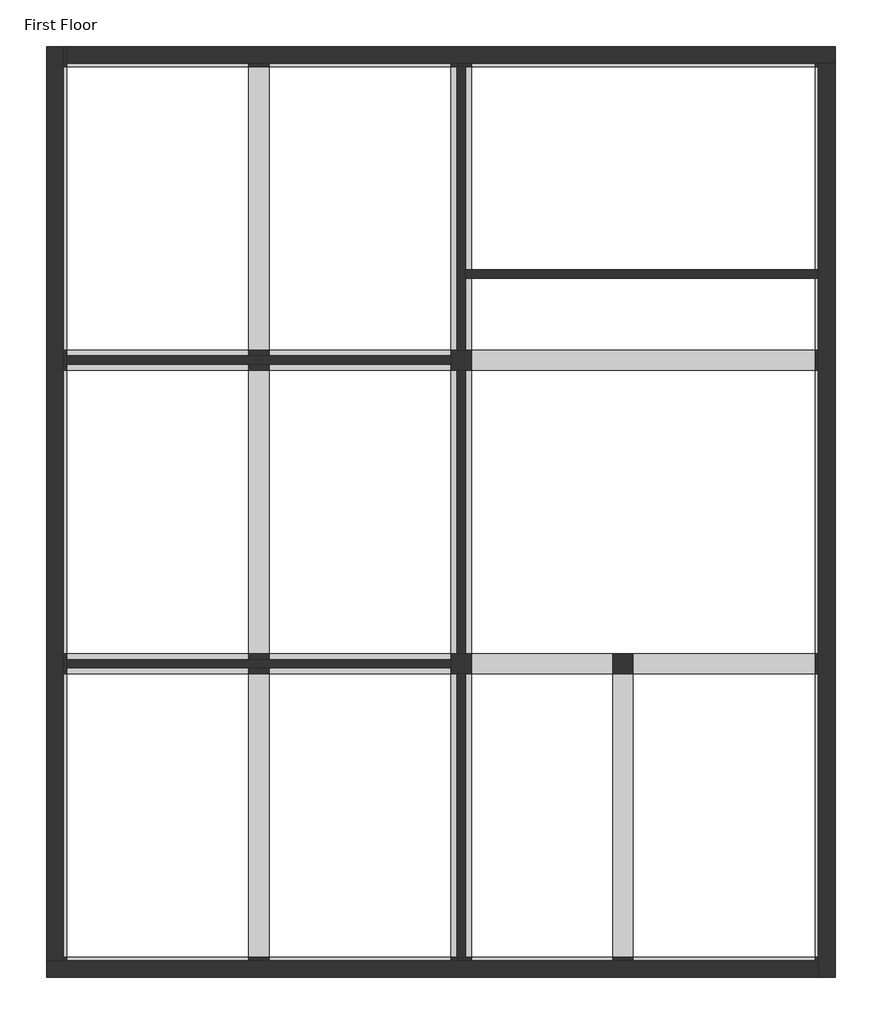
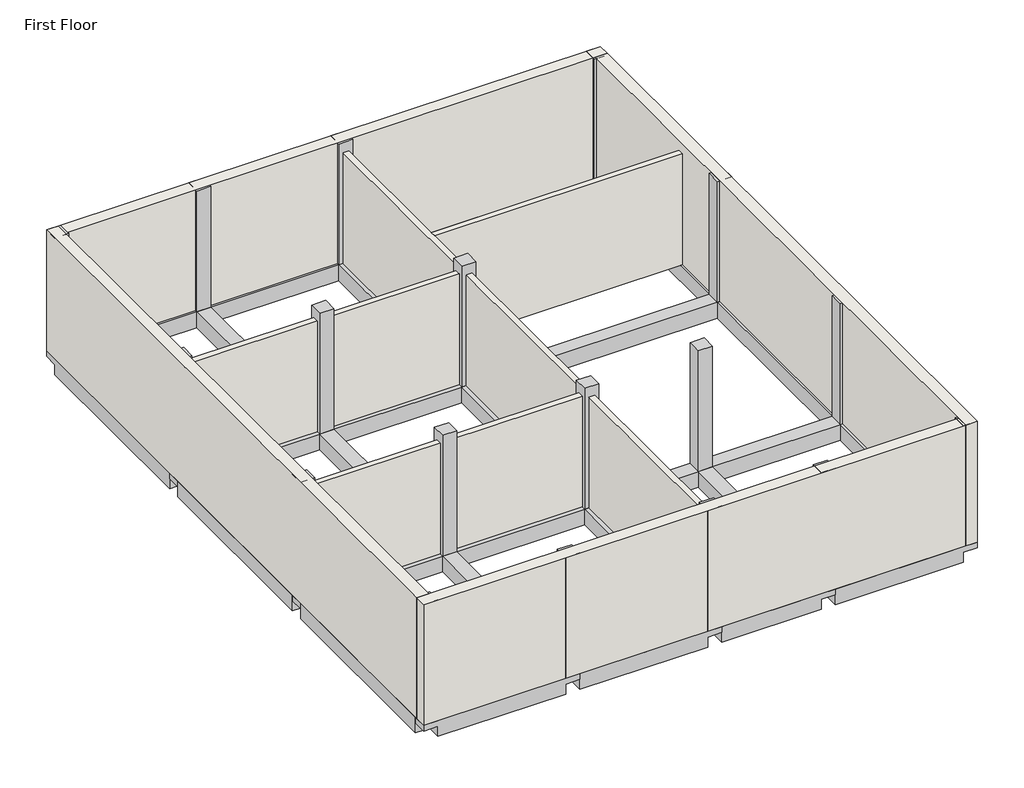
# One storey: 27 beams, 18 columns, 10 walls.
"""IFC4 building model written with IfcOpenShell, lengths in millimetres."""

from ifc_helpers import new_model, si_unit, frame, origin, place, context, project, spatial, polyline, outline, extrude, faceted_brep, element, save

model = new_model("IFC4")

# Units and contexts
model_context = context("Model", 3, world=origin())
ifc_project = project(units=[si_unit("LENGTHUNIT", "METRE", prefix="MILLI")], contexts=[model_context])

# Site, building, storey
site = spatial("IfcSite", under=ifc_project)
building = spatial("IfcBuilding", under=site)
storey = spatial("IfcBuildingStorey", under=building, Name="First Floor", Elevation=2870.2)

# Beams
placement = place(None, origin())
element("IfcBeam", 1, ObjectType="Concrete-Rectangular Beam", at=placement, inside=storey, context=model_context, shape_type="Brep", body=[
    faceted_brep([(6210.1409002, -15344.0114294, 2870.2), (6210.1409002, -15039.2114294, 2870.2), (5905.3409002, -15039.2114294, 2870.2), (3162.1409002, -15039.2114294, 2870.2), (2857.3409002, -15039.2114294, 2870.2), (2857.3409002, -15344.0114294, 2870.2), (3162.1409002, -15344.0114294, 2870.2), (5905.3409002, -15344.0114294, 2870.2), (2857.3409002, -15344.0114294, 2743.2), (3162.1409002, -15344.0114294, 2743.2), (3162.1409002, -15344.0114294, 2514.6), (5905.3409002, -15344.0114294, 2514.6), (5905.3409002, -15344.0114294, 2743.2), (6210.1409002, -15344.0114294, 2743.2), (3162.1409002, -15039.2114294, 2514.6), (5905.3409002, -15039.2114294, 2514.6), (6210.1409002, -15039.2114294, 2743.2), (5905.3409002, -15039.2114294, 2743.2), (3162.1409002, -15039.2114294, 2743.2), (2857.3409002, -15039.2114294, 2743.2)], [[[0, 1, 2, 3, 4, 5, 6, 7]], [[0, 7, 6, 5, 8, 9, 10, 11, 12, 13]], [[10, 14, 15, 11]], [[4, 3, 2, 1, 16, 17, 15, 14, 18, 19]], [[1, 0, 13, 16]], [[5, 4, 19, 8]], [[9, 18, 14, 10]], [[18, 9, 8, 19]], [[17, 12, 11, 15]], [[12, 17, 16, 13]]]),
])
element("IfcBeam", 2, ObjectType="Concrete-Rectangular Beam", at=placement, inside=storey, context=model_context, shape_type="Brep", body=[
    faceted_brep([(9258.1409002, -15344.0114294, 2870.2), (9258.1409002, -15039.2114294, 2870.2), (8953.3409002, -15039.2114294, 2870.2), (6210.1409002, -15039.2114294, 2870.2), (6210.1409002, -15344.0114294, 2870.2), (8953.3409002, -15344.0114294, 2870.2), (6210.1409002, -15344.0114294, 2743.2), (6210.1409002, -15344.0114294, 2514.6), (8953.3409002, -15344.0114294, 2514.6), (8953.3409002, -15344.0114294, 2743.2), (9258.1409002, -15344.0114294, 2743.2), (6210.1409002, -15039.2114294, 2514.6), (8953.3409002, -15039.2114294, 2514.6), (9258.1409002, -15039.2114294, 2743.2), (8953.3409002, -15039.2114294, 2743.2), (6210.1409002, -15039.2114294, 2743.2)], [[[0, 1, 2, 3, 4, 5]], [[0, 5, 4, 6, 7, 8, 9, 10]], [[7, 11, 12, 8]], [[3, 2, 1, 13, 14, 12, 11, 15]], [[1, 0, 10, 13]], [[4, 3, 15, 11, 7, 6]], [[14, 9, 8, 12]], [[9, 14, 13, 10]]]),
])
element("IfcBeam", 3, ObjectType="Concrete-Rectangular Beam", at=placement, inside=storey, context=model_context, shape_type="Brep", body=[
    faceted_brep([(11696.5409002, -15344.0114294, 2870.2), (11696.5409002, -15039.2114294, 2870.2), (11391.7409002, -15039.2114294, 2870.2), (9258.1409002, -15039.2114294, 2870.2), (9258.1409002, -15344.0114294, 2870.2), (11391.7409002, -15344.0114294, 2870.2), (9258.1409002, -15344.0114294, 2743.2), (9258.1409002, -15344.0114294, 2514.6), (11391.7409002, -15344.0114294, 2514.6), (11391.7409002, -15344.0114294, 2743.2), (11696.5409002, -15344.0114294, 2743.2), (9258.1409002, -15039.2114294, 2514.6), (11391.7409002, -15039.2114294, 2514.6), (11696.5409002, -15039.2114294, 2743.2), (11391.7409002, -15039.2114294, 2743.2), (9258.1409002, -15039.2114294, 2743.2)], [[[0, 1, 2, 3, 4, 5]], [[0, 5, 4, 6, 7, 8, 9, 10]], [[7, 11, 12, 8]], [[3, 2, 1, 13, 14, 12, 11, 15]], [[1, 0, 10, 13]], [[4, 3, 15, 11, 7, 6]], [[14, 9, 8, 12]], [[9, 14, 13, 10]]]),
])
element("IfcBeam", 4, ObjectType="Concrete-Rectangular Beam", at=placement, inside=storey, context=model_context, shape_type="Brep", body=[
    faceted_brep([(14744.5409002, -15344.0114294, 2870.2), (14744.5409002, -15039.2114294, 2870.2), (14439.7409002, -15039.2114294, 2870.2), (11696.5409002, -15039.2114294, 2870.2), (11696.5409002, -15344.0114294, 2870.2), (14439.7409002, -15344.0114294, 2870.2), (11696.5409002, -15344.0114294, 2743.2), (11696.5409002, -15344.0114294, 2514.6), (14439.7409002, -15344.0114294, 2514.6), (14439.7409002, -15344.0114294, 2743.2), (14744.5409002, -15344.0114294, 2743.2), (11696.5409002, -15039.2114294, 2514.6), (14439.7409002, -15039.2114294, 2514.6), (14744.5409002, -15039.2114294, 2743.2), (14439.7409002, -15039.2114294, 2743.2), (11696.5409002, -15039.2114294, 2743.2)], [[[0, 1, 2, 3, 4, 5]], [[0, 5, 4, 6, 7, 8, 9, 10]], [[7, 11, 12, 8]], [[3, 2, 1, 13, 14, 12, 11, 15]], [[1, 0, 10, 13]], [[4, 3, 15, 11, 7, 6]], [[14, 9, 8, 12]], [[9, 14, 13, 10]]]),
])
element("IfcBeam", 5, ObjectType="Concrete-Rectangular Beam", at=placement, inside=storey, context=model_context, shape_type="Brep", body=[
    faceted_brep([(6210.1409002, -10772.0114294, 2870.2), (6210.1409002, -10467.2114294, 2870.2), (5905.3409002, -10467.2114294, 2870.2), (3162.1409002, -10467.2114294, 2870.2), (2857.3409002, -10467.2114294, 2870.2), (2857.3409002, -10772.0114294, 2870.2), (3162.1409002, -10772.0114294, 2870.2), (5905.3409002, -10772.0114294, 2870.2), (2857.3409002, -10772.0114294, 2743.2), (3162.1409002, -10772.0114294, 2743.2), (3162.1409002, -10772.0114294, 2514.6), (5905.3409002, -10772.0114294, 2514.6), (5905.3409002, -10772.0114294, 2743.2), (6210.1409002, -10772.0114294, 2743.2), (3162.1409002, -10467.2114294, 2514.6), (5905.3409002, -10467.2114294, 2514.6), (6210.1409002, -10467.2114294, 2743.2), (5905.3409002, -10467.2114294, 2743.2), (3162.1409002, -10467.2114294, 2743.2), (2857.3409002, -10467.2114294, 2743.2)], [[[0, 1, 2, 3, 4, 5, 6, 7]], [[0, 7, 6, 5, 8, 9, 10, 11, 12, 13]], [[10, 14, 15, 11]], [[4, 3, 2, 1, 16, 17, 15, 14, 18, 19]], [[1, 0, 13, 16]], [[5, 4, 19, 8]], [[9, 18, 14, 10]], [[18, 9, 8, 19]], [[17, 12, 11, 15]], [[12, 17, 16, 13]]]),
])
element("IfcBeam", 6, ObjectType="Concrete-Rectangular Beam", at=placement, inside=storey, context=model_context, shape_type="Brep", body=[
    faceted_brep([(9258.1409002, -10772.0114294, 2870.2), (9258.1409002, -10467.2114294, 2870.2), (8953.3409002, -10467.2114294, 2870.2), (6210.1409002, -10467.2114294, 2870.2), (6210.1409002, -10772.0114294, 2870.2), (8953.3409002, -10772.0114294, 2870.2), (6210.1409002, -10772.0114294, 2743.2), (6210.1409002, -10772.0114294, 2514.6), (8953.3409002, -10772.0114294, 2514.6), (8953.3409002, -10772.0114294, 2743.2), (9258.1409002, -10772.0114294, 2743.2), (6210.1409002, -10467.2114294, 2514.6), (8953.3409002, -10467.2114294, 2514.6), (9258.1409002, -10467.2114294, 2743.2), (8953.3409002, -10467.2114294, 2743.2), (6210.1409002, -10467.2114294, 2743.2)], [[[0, 1, 2, 3, 4, 5]], [[0, 5, 4, 6, 7, 8, 9, 10]], [[7, 11, 12, 8]], [[3, 2, 1, 13, 14, 12, 11, 15]], [[1, 0, 10, 13]], [[4, 3, 15, 11, 7, 6]], [[14, 9, 8, 12]], [[9, 14, 13, 10]]]),
])
element("IfcBeam", 7, ObjectType="Concrete-Rectangular Beam", at=placement, inside=storey, context=model_context, shape_type="Brep", body=[
    faceted_brep([(11696.5409002, -10772.0114294, 2870.2), (11696.5409002, -10467.2114294, 2870.2), (11391.7409002, -10467.2114294, 2870.2), (9258.1409002, -10467.2114294, 2870.2), (9258.1409002, -10772.0114294, 2870.2), (11391.7409002, -10772.0114294, 2870.2), (9258.1409002, -10772.0114294, 2743.2), (9258.1409002, -10772.0114294, 2514.6), (11391.7409002, -10772.0114294, 2514.6), (11391.7409002, -10772.0114294, 2743.2), (11696.5409002, -10772.0114294, 2743.2), (9258.1409002, -10467.2114294, 2514.6), (11391.7409002, -10467.2114294, 2514.6), (11696.5409002, -10467.2114294, 2743.2), (11391.7409002, -10467.2114294, 2743.2), (9258.1409002, -10467.2114294, 2743.2)], [[[0, 1, 2, 3, 4, 5]], [[0, 5, 4, 6, 7, 8, 9, 10]], [[7, 11, 12, 8]], [[3, 2, 1, 13, 14, 12, 11, 15]], [[1, 0, 10, 13]], [[4, 3, 15, 11, 7, 6]], [[14, 9, 8, 12]], [[9, 14, 13, 10]]]),
])
element("IfcBeam", 8, ObjectType="Concrete-Rectangular Beam", at=placement, inside=storey, context=model_context, shape_type="Brep", body=[
    faceted_brep([(14744.5409002, -10772.0114294, 2870.2), (14744.5409002, -10467.2114294, 2870.2), (14439.7409002, -10467.2114294, 2870.2), (11696.5409002, -10467.2114294, 2870.2), (11696.5409002, -10772.0114294, 2870.2), (14439.7409002, -10772.0114294, 2870.2), (11696.5409002, -10772.0114294, 2743.2), (11696.5409002, -10772.0114294, 2514.6), (14439.7409002, -10772.0114294, 2514.6), (14439.7409002, -10772.0114294, 2743.2), (14744.5409002, -10772.0114294, 2743.2), (11696.5409002, -10467.2114294, 2514.6), (14439.7409002, -10467.2114294, 2514.6), (14744.5409002, -10467.2114294, 2743.2), (14439.7409002, -10467.2114294, 2743.2), (11696.5409002, -10467.2114294, 2743.2)], [[[0, 1, 2, 3, 4, 5]], [[0, 5, 4, 6, 7, 8, 9, 10]], [[7, 11, 12, 8]], [[3, 2, 1, 13, 14, 12, 11, 15]], [[1, 0, 10, 13]], [[4, 3, 15, 11, 7, 6]], [[14, 9, 8, 12]], [[9, 14, 13, 10]]]),
])
element("IfcBeam", 9, ObjectType="Concrete-Rectangular Beam", at=placement, inside=storey, context=model_context, shape_type="Brep", body=[
    faceted_brep([(6210.1409002, -6200.0114294, 2870.2), (6210.1409002, -5895.2114294, 2870.2), (5905.3409002, -5895.2114294, 2870.2), (3162.1409002, -5895.2114294, 2870.2), (2857.3409002, -5895.2114294, 2870.2), (2857.3409002, -6200.0114294, 2870.2), (3162.1409002, -6200.0114294, 2870.2), (5905.3409002, -6200.0114294, 2870.2), (2857.3409002, -6200.0114294, 2743.2), (3162.1409002, -6200.0114294, 2743.2), (3162.1409002, -6200.0114294, 2514.6), (5905.3409002, -6200.0114294, 2514.6), (5905.3409002, -6200.0114294, 2743.2), (6210.1409002, -6200.0114294, 2743.2), (3162.1409002, -5895.2114294, 2514.6), (5905.3409002, -5895.2114294, 2514.6), (6210.1409002, -5895.2114294, 2743.2), (5905.3409002, -5895.2114294, 2743.2), (3162.1409002, -5895.2114294, 2743.2), (2857.3409002, -5895.2114294, 2743.2)], [[[0, 1, 2, 3, 4, 5, 6, 7]], [[0, 7, 6, 5, 8, 9, 10, 11, 12, 13]], [[10, 14, 15, 11]], [[4, 3, 2, 1, 16, 17, 15, 14, 18, 19]], [[1, 0, 13, 16]], [[5, 4, 19, 8]], [[9, 18, 14, 10]], [[18, 9, 8, 19]], [[17, 12, 11, 15]], [[12, 17, 16, 13]]]),
])
element("IfcBeam", 10, ObjectType="Concrete-Rectangular Beam", at=placement, inside=storey, context=model_context, shape_type="Brep", body=[
    faceted_brep([(9258.1409002, -6200.0114294, 2870.2), (9258.1409002, -5895.2114294, 2870.2), (8953.3409002, -5895.2114294, 2870.2), (6210.1409002, -5895.2114294, 2870.2), (6210.1409002, -6200.0114294, 2870.2), (8953.3409002, -6200.0114294, 2870.2), (6210.1409002, -6200.0114294, 2743.2), (6210.1409002, -6200.0114294, 2514.6), (8953.3409002, -6200.0114294, 2514.6), (8953.3409002, -6200.0114294, 2743.2), (9258.1409002, -6200.0114294, 2743.2), (6210.1409002, -5895.2114294, 2514.6), (8953.3409002, -5895.2114294, 2514.6), (9258.1409002, -5895.2114294, 2743.2), (8953.3409002, -5895.2114294, 2743.2), (6210.1409002, -5895.2114294, 2743.2)], [[[0, 1, 2, 3, 4, 5]], [[0, 5, 4, 6, 7, 8, 9, 10]], [[7, 11, 12, 8]], [[3, 2, 1, 13, 14, 12, 11, 15]], [[1, 0, 10, 13]], [[4, 3, 15, 11, 7, 6]], [[14, 9, 8, 12]], [[9, 14, 13, 10]]]),
])
element("IfcBeam", 11, ObjectType="Concrete-Rectangular Beam", at=placement, inside=storey, context=model_context, shape_type="Brep", body=[
    faceted_brep([(14744.5409002, -6200.0114294, 2870.2), (14744.5409002, -5895.2114294, 2870.2), (14439.7409002, -5895.2114294, 2870.2), (9258.1409002, -5895.2114294, 2870.2), (9258.1409002, -6200.0114294, 2870.2), (14439.7409002, -6200.0114294, 2870.2), (9258.1409002, -6200.0114294, 2743.2), (9258.1409002, -6200.0114294, 2514.6), (14439.7409002, -6200.0114294, 2514.6), (14439.7409002, -6200.0114294, 2743.2), (14744.5409002, -6200.0114294, 2743.2), (9258.1409002, -5895.2114294, 2514.6), (14439.7409002, -5895.2114294, 2514.6), (14744.5409002, -5895.2114294, 2743.2), (14439.7409002, -5895.2114294, 2743.2), (9258.1409002, -5895.2114294, 2743.2)], [[[0, 1, 2, 3, 4, 5]], [[0, 5, 4, 6, 7, 8, 9, 10]], [[7, 11, 12, 8]], [[3, 2, 1, 13, 14, 12, 11, 15]], [[1, 0, 10, 13]], [[4, 3, 15, 11, 7, 6]], [[14, 9, 8, 12]], [[9, 14, 13, 10]]]),
])
element("IfcBeam", 12, ObjectType="Concrete-Rectangular Beam", at=placement, inside=storey, context=model_context, shape_type="Brep", body=[
    faceted_brep([(3162.1409002, -1323.2114294, 2870.2), (2857.3409002, -1323.2114294, 2870.2), (2857.3409002, -1628.0114294, 2870.2), (2857.3409002, -5895.2114294, 2870.2), (3162.1409002, -5895.2114294, 2870.2), (3162.1409002, -1628.0114294, 2870.2), (2857.3409002, -1323.2114294, 2743.2), (2857.3409002, -1628.0114294, 2743.2), (2857.3409002, -1628.0114294, 2514.6), (2857.3409002, -5895.2114294, 2514.6), (2857.3409002, -5895.2114294, 2743.2), (3162.1409002, -5895.2114294, 2514.6), (3162.1409002, -1628.0114294, 2514.6), (3162.1409002, -5895.2114294, 2743.2), (3162.1409002, -1628.0114294, 2743.2), (3162.1409002, -1323.2114294, 2743.2)], [[[0, 1, 2, 3, 4, 5]], [[3, 2, 1, 6, 7, 8, 9, 10]], [[11, 9, 8, 12]], [[0, 5, 4, 13, 11, 12, 14, 15]], [[1, 0, 15, 6]], [[4, 3, 10, 9, 11, 13]], [[7, 14, 12, 8]], [[14, 7, 6, 15]]]),
])
element("IfcBeam", 13, ObjectType="Concrete-Rectangular Beam", at=placement, inside=storey, context=model_context, shape_type="Brep", body=[
    faceted_brep([(2857.3409002, -10467.2114294, 2870.2), (3162.1409002, -10467.2114294, 2870.2), (3162.1409002, -6200.0114294, 2870.2), (2857.3409002, -6200.0114294, 2870.2), (2857.3409002, -10467.2114294, 2514.6), (2857.3409002, -10467.2114294, 2743.2), (2857.3409002, -6200.0114294, 2743.2), (2857.3409002, -6200.0114294, 2514.6), (3162.1409002, -10467.2114294, 2514.6), (3162.1409002, -6200.0114294, 2514.6), (3162.1409002, -10467.2114294, 2743.2), (3162.1409002, -6200.0114294, 2743.2)], [[[0, 1, 2, 3]], [[4, 5, 0, 3, 6, 7]], [[8, 4, 7, 9]], [[1, 10, 8, 9, 11, 2]], [[1, 0, 5, 4, 8, 10]], [[3, 2, 11, 9, 7, 6]]]),
])
element("IfcBeam", 14, ObjectType="Concrete-Rectangular Beam", at=placement, inside=storey, context=model_context, shape_type="Brep", body=[
    faceted_brep([(2857.3409002, -15039.2114294, 2870.2), (3162.1409002, -15039.2114294, 2870.2), (3162.1409002, -10772.0114294, 2870.2), (2857.3409002, -10772.0114294, 2870.2), (2857.3409002, -15039.2114294, 2514.6), (2857.3409002, -15039.2114294, 2743.2), (2857.3409002, -10772.0114294, 2743.2), (2857.3409002, -10772.0114294, 2514.6), (3162.1409002, -15039.2114294, 2514.6), (3162.1409002, -10772.0114294, 2514.6), (3162.1409002, -15039.2114294, 2743.2), (3162.1409002, -10772.0114294, 2743.2)], [[[0, 1, 2, 3]], [[4, 5, 0, 3, 6, 7]], [[8, 4, 7, 9]], [[1, 10, 8, 9, 11, 2]], [[1, 0, 5, 4, 8, 10]], [[3, 2, 11, 9, 7, 6]]]),
])
element("IfcBeam", 15, ObjectType="Concrete-Rectangular Beam", at=placement, inside=storey, context=model_context, shape_type="Brep", body=[
    faceted_brep([(9258.1409002, -1323.2114294, 2870.2), (8953.3409002, -1323.2114294, 2870.2), (8953.3409002, -1628.0114294, 2870.2), (8953.3409002, -5895.2114294, 2870.2), (9258.1409002, -5895.2114294, 2870.2), (9258.1409002, -1628.0114294, 2870.2), (8953.3409002, -1323.2114294, 2743.2), (8953.3409002, -1628.0114294, 2743.2), (8953.3409002, -1628.0114294, 2514.6), (8953.3409002, -5895.2114294, 2514.6), (8953.3409002, -5895.2114294, 2743.2), (9258.1409002, -5895.2114294, 2514.6), (9258.1409002, -1628.0114294, 2514.6), (9258.1409002, -5895.2114294, 2743.2), (9258.1409002, -1628.0114294, 2743.2), (9258.1409002, -1323.2114294, 2743.2)], [[[0, 1, 2, 3, 4, 5]], [[3, 2, 1, 6, 7, 8, 9, 10]], [[11, 9, 8, 12]], [[0, 5, 4, 13, 11, 12, 14, 15]], [[1, 0, 15, 6]], [[4, 3, 10, 9, 11, 13]], [[7, 14, 12, 8]], [[14, 7, 6, 15]]]),
])
element("IfcBeam", 16, ObjectType="Concrete-Rectangular Beam", at=placement, inside=storey, context=model_context, shape_type="Brep", body=[
    faceted_brep([(8953.3409002, -10467.2114294, 2870.2), (9258.1409002, -10467.2114294, 2870.2), (9258.1409002, -6200.0114294, 2870.2), (8953.3409002, -6200.0114294, 2870.2), (8953.3409002, -10467.2114294, 2514.6), (8953.3409002, -10467.2114294, 2743.2), (8953.3409002, -6200.0114294, 2743.2), (8953.3409002, -6200.0114294, 2514.6), (9258.1409002, -10467.2114294, 2514.6), (9258.1409002, -6200.0114294, 2514.6), (9258.1409002, -10467.2114294, 2743.2), (9258.1409002, -6200.0114294, 2743.2)], [[[0, 1, 2, 3]], [[4, 5, 0, 3, 6, 7]], [[8, 4, 7, 9]], [[1, 10, 8, 9, 11, 2]], [[1, 0, 5, 4, 8, 10]], [[3, 2, 11, 9, 7, 6]]]),
])
element("IfcBeam", 17, ObjectType="Concrete-Rectangular Beam", at=placement, inside=storey, context=model_context, shape_type="Brep", body=[
    faceted_brep([(8953.3409002, -15039.2114294, 2870.2), (9258.1409002, -15039.2114294, 2870.2), (9258.1409002, -10772.0114294, 2870.2), (8953.3409002, -10772.0114294, 2870.2), (8953.3409002, -15039.2114294, 2514.6), (8953.3409002, -15039.2114294, 2743.2), (8953.3409002, -10772.0114294, 2743.2), (8953.3409002, -10772.0114294, 2514.6), (9258.1409002, -15039.2114294, 2514.6), (9258.1409002, -10772.0114294, 2514.6), (9258.1409002, -15039.2114294, 2743.2), (9258.1409002, -10772.0114294, 2743.2)], [[[0, 1, 2, 3]], [[4, 5, 0, 3, 6, 7]], [[8, 4, 7, 9]], [[1, 10, 8, 9, 11, 2]], [[1, 0, 5, 4, 8, 10]], [[3, 2, 11, 9, 7, 6]]]),
])
element("IfcBeam", 18, ObjectType="Concrete-Rectangular Beam", at=placement, inside=storey, context=model_context, shape_type="Brep", body=[
    faceted_brep([(11391.7409002, -15039.2114294, 2870.2), (11696.5409002, -15039.2114294, 2870.2), (11696.5409002, -10772.0114294, 2870.2), (11391.7409002, -10772.0114294, 2870.2), (11391.7409002, -15039.2114294, 2514.6), (11391.7409002, -15039.2114294, 2743.2), (11391.7409002, -10772.0114294, 2743.2), (11391.7409002, -10772.0114294, 2514.6), (11696.5409002, -15039.2114294, 2514.6), (11696.5409002, -10772.0114294, 2514.6), (11696.5409002, -15039.2114294, 2743.2), (11696.5409002, -10772.0114294, 2743.2)], [[[0, 1, 2, 3]], [[4, 5, 0, 3, 6, 7]], [[8, 4, 7, 9]], [[1, 10, 8, 9, 11, 2]], [[1, 0, 5, 4, 8, 10]], [[3, 2, 11, 9, 7, 6]]]),
])
element("IfcBeam", 19, ObjectType="Concrete-Rectangular Beam", at=placement, inside=storey, context=model_context, shape_type="Brep", body=[
    faceted_brep([(6210.1409002, -1628.0114294, 2870.2), (6210.1409002, -1323.2114294, 2870.2), (5905.3409002, -1323.2114294, 2870.2), (3162.1409002, -1323.2114294, 2870.2), (3162.1409002, -1628.0114294, 2870.2), (5905.3409002, -1628.0114294, 2870.2), (3162.1409002, -1628.0114294, 2743.2), (3162.1409002, -1628.0114294, 2514.6), (5905.3409002, -1628.0114294, 2514.6), (5905.3409002, -1628.0114294, 2743.2), (6210.1409002, -1628.0114294, 2743.2), (3162.1409002, -1323.2114294, 2514.6), (5905.3409002, -1323.2114294, 2514.6), (6210.1409002, -1323.2114294, 2743.2), (5905.3409002, -1323.2114294, 2743.2), (3162.1409002, -1323.2114294, 2743.2)], [[[0, 1, 2, 3, 4, 5]], [[0, 5, 4, 6, 7, 8, 9, 10]], [[7, 11, 12, 8]], [[3, 2, 1, 13, 14, 12, 11, 15]], [[1, 0, 10, 13]], [[4, 3, 15, 11, 7, 6]], [[14, 9, 8, 12]], [[9, 14, 13, 10]]]),
])
element("IfcBeam", 20, ObjectType="Concrete-Rectangular Beam", at=placement, inside=storey, context=model_context, shape_type="Brep", body=[
    faceted_brep([(8953.3409002, -1628.0114294, 2870.2), (8953.3409002, -1323.2114294, 2870.2), (6210.1409002, -1323.2114294, 2870.2), (6210.1409002, -1628.0114294, 2870.2), (8953.3409002, -1628.0114294, 2514.6), (8953.3409002, -1628.0114294, 2743.2), (6210.1409002, -1628.0114294, 2743.2), (6210.1409002, -1628.0114294, 2514.6), (8953.3409002, -1323.2114294, 2514.6), (6210.1409002, -1323.2114294, 2514.6), (8953.3409002, -1323.2114294, 2743.2), (6210.1409002, -1323.2114294, 2743.2)], [[[0, 1, 2, 3]], [[4, 5, 0, 3, 6, 7]], [[8, 4, 7, 9]], [[1, 10, 8, 9, 11, 2]], [[1, 0, 5, 4, 8, 10]], [[3, 2, 11, 9, 7, 6]]]),
])
element("IfcBeam", 21, ObjectType="Concrete-Rectangular Beam", at=placement, inside=storey, context=model_context, shape_type="Brep", body=[
    faceted_brep([(14744.5409002, -1628.0114294, 2870.2), (14744.5409002, -1323.2114294, 2870.2), (14439.7409002, -1323.2114294, 2870.2), (9258.1409002, -1323.2114294, 2870.2), (9258.1409002, -1628.0114294, 2870.2), (14439.7409002, -1628.0114294, 2870.2), (9258.1409002, -1628.0114294, 2743.2), (9258.1409002, -1628.0114294, 2514.6), (14439.7409002, -1628.0114294, 2514.6), (14439.7409002, -1628.0114294, 2743.2), (14744.5409002, -1628.0114294, 2743.2), (9258.1409002, -1323.2114294, 2514.6), (14439.7409002, -1323.2114294, 2514.6), (14744.5409002, -1323.2114294, 2743.2), (14439.7409002, -1323.2114294, 2743.2), (9258.1409002, -1323.2114294, 2743.2)], [[[0, 1, 2, 3, 4, 5]], [[0, 5, 4, 6, 7, 8, 9, 10]], [[7, 11, 12, 8]], [[3, 2, 1, 13, 14, 12, 11, 15]], [[1, 0, 10, 13]], [[4, 3, 15, 11, 7, 6]], [[14, 9, 8, 12]], [[9, 14, 13, 10]]]),
])
element("IfcBeam", 22, ObjectType="Concrete-Rectangular Beam", at=placement, inside=storey, context=model_context, shape_type="Brep", body=[
    faceted_brep([(14439.7409002, -5895.2114294, 2870.2), (14744.5409002, -5895.2114294, 2870.2), (14744.5409002, -1628.0114294, 2870.2), (14439.7409002, -1628.0114294, 2870.2), (14439.7409002, -5895.2114294, 2514.6), (14439.7409002, -5895.2114294, 2743.2), (14439.7409002, -1628.0114294, 2743.2), (14439.7409002, -1628.0114294, 2514.6), (14744.5409002, -5895.2114294, 2514.6), (14744.5409002, -1628.0114294, 2514.6), (14744.5409002, -5895.2114294, 2743.2), (14744.5409002, -1628.0114294, 2743.2)], [[[0, 1, 2, 3]], [[4, 5, 0, 3, 6, 7]], [[8, 4, 7, 9]], [[1, 10, 8, 9, 11, 2]], [[1, 0, 5, 4, 8, 10]], [[3, 2, 11, 9, 7, 6]]]),
])
element("IfcBeam", 23, ObjectType="Concrete-Rectangular Beam", at=placement, inside=storey, context=model_context, shape_type="Brep", body=[
    faceted_brep([(14439.7409002, -10467.2114294, 2870.2), (14744.5409002, -10467.2114294, 2870.2), (14744.5409002, -6200.0114294, 2870.2), (14439.7409002, -6200.0114294, 2870.2), (14439.7409002, -10467.2114294, 2514.6), (14439.7409002, -10467.2114294, 2743.2), (14439.7409002, -6200.0114294, 2743.2), (14439.7409002, -6200.0114294, 2514.6), (14744.5409002, -10467.2114294, 2514.6), (14744.5409002, -6200.0114294, 2514.6), (14744.5409002, -10467.2114294, 2743.2), (14744.5409002, -6200.0114294, 2743.2)], [[[0, 1, 2, 3]], [[4, 5, 0, 3, 6, 7]], [[8, 4, 7, 9]], [[1, 10, 8, 9, 11, 2]], [[1, 0, 5, 4, 8, 10]], [[3, 2, 11, 9, 7, 6]]]),
])
element("IfcBeam", 24, ObjectType="Concrete-Rectangular Beam", at=placement, inside=storey, context=model_context, shape_type="Brep", body=[
    faceted_brep([(14439.7409002, -15039.2114294, 2870.2), (14744.5409002, -15039.2114294, 2870.2), (14744.5409002, -10772.0114294, 2870.2), (14439.7409002, -10772.0114294, 2870.2), (14439.7409002, -15039.2114294, 2514.6), (14439.7409002, -15039.2114294, 2743.2), (14439.7409002, -10772.0114294, 2743.2), (14439.7409002, -10772.0114294, 2514.6), (14744.5409002, -15039.2114294, 2514.6), (14744.5409002, -10772.0114294, 2514.6), (14744.5409002, -15039.2114294, 2743.2), (14744.5409002, -10772.0114294, 2743.2)], [[[0, 1, 2, 3]], [[4, 5, 0, 3, 6, 7]], [[8, 4, 7, 9]], [[1, 10, 8, 9, 11, 2]], [[1, 0, 5, 4, 8, 10]], [[3, 2, 11, 9, 7, 6]]]),
])
element("IfcBeam", 25, ObjectType="Concrete-Rectangular Beam", at=placement, inside=storey, context=model_context, shape_type="Brep", body=[
    faceted_brep([(5905.3409002, -5895.2114294, 2870.2), (6210.1409002, -5895.2114294, 2870.2), (6210.1409002, -1628.0114294, 2870.2), (5905.3409002, -1628.0114294, 2870.2), (5905.3409002, -5895.2114294, 2514.6), (5905.3409002, -5895.2114294, 2743.2), (5905.3409002, -1628.0114294, 2743.2), (5905.3409002, -1628.0114294, 2514.6), (6210.1409002, -5895.2114294, 2514.6), (6210.1409002, -1628.0114294, 2514.6), (6210.1409002, -5895.2114294, 2743.2), (6210.1409002, -1628.0114294, 2743.2)], [[[0, 1, 2, 3]], [[4, 5, 0, 3, 6, 7]], [[8, 4, 7, 9]], [[1, 10, 8, 9, 11, 2]], [[1, 0, 5, 4, 8, 10]], [[3, 2, 11, 9, 7, 6]]]),
])
element("IfcBeam", 26, ObjectType="Concrete-Rectangular Beam", at=placement, inside=storey, context=model_context, shape_type="Brep", body=[
    faceted_brep([(5905.3409002, -10467.2114294, 2870.2), (6210.1409002, -10467.2114294, 2870.2), (6210.1409002, -6200.0114294, 2870.2), (5905.3409002, -6200.0114294, 2870.2), (5905.3409002, -10467.2114294, 2514.6), (5905.3409002, -10467.2114294, 2743.2), (5905.3409002, -6200.0114294, 2743.2), (5905.3409002, -6200.0114294, 2514.6), (6210.1409002, -10467.2114294, 2514.6), (6210.1409002, -6200.0114294, 2514.6), (6210.1409002, -10467.2114294, 2743.2), (6210.1409002, -6200.0114294, 2743.2)], [[[0, 1, 2, 3]], [[4, 5, 0, 3, 6, 7]], [[8, 4, 7, 9]], [[1, 10, 8, 9, 11, 2]], [[1, 0, 5, 4, 8, 10]], [[3, 2, 11, 9, 7, 6]]]),
])
element("IfcBeam", 27, ObjectType="Concrete-Rectangular Beam", at=placement, inside=storey, context=model_context, shape_type="Brep", body=[
    faceted_brep([(5905.3409002, -15039.2114294, 2870.2), (6210.1409002, -15039.2114294, 2870.2), (6210.1409002, -10772.0114294, 2870.2), (5905.3409002, -10772.0114294, 2870.2), (5905.3409002, -15039.2114294, 2514.6), (5905.3409002, -15039.2114294, 2743.2), (5905.3409002, -10772.0114294, 2743.2), (5905.3409002, -10772.0114294, 2514.6), (6210.1409002, -15039.2114294, 2514.6), (6210.1409002, -10772.0114294, 2514.6), (6210.1409002, -15039.2114294, 2743.2), (6210.1409002, -10772.0114294, 2743.2)], [[[0, 1, 2, 3]], [[4, 5, 0, 3, 6, 7]], [[8, 4, 7, 9]], [[1, 10, 8, 9, 11, 2]], [[1, 0, 5, 4, 8, 10]], [[3, 2, 11, 9, 7, 6]]]),
])

# Columns
element("IfcColumn", 28, ObjectType="Concrete-Rectangular-Column", at=placement, inside=storey, context=model_context, shape_type="SweptSolid", body=[
    extrude(outline(polyline([(3162.1409002, -15039.2114294), (3162.1409002, -15344.0114294), (2857.3409002, -15344.0114294), (2857.3409002, -15039.2114294), (3162.1409002, -15039.2114294)])), frame((0.0, 0.0, 2870.2), z_axis=(0.0, 0.0, 1.0), x_axis=(1.0, 0.0, 0.0)), (0.0, 0.0, 1.0), 2743.2),
])
element("IfcColumn", 29, ObjectType="Concrete-Rectangular-Column", at=placement, inside=storey, context=model_context, shape_type="SweptSolid", body=[
    extrude(outline(polyline([(9258.1409002, -15039.2114294), (9258.1409002, -15344.0114294), (8953.3409002, -15344.0114294), (8953.3409002, -15039.2114294), (9258.1409002, -15039.2114294)])), frame((0.0, 0.0, 2870.2), z_axis=(0.0, 0.0, 1.0), x_axis=(1.0, 0.0, 0.0)), (0.0, 0.0, 1.0), 2743.2),
])
element("IfcColumn", 30, ObjectType="Concrete-Rectangular-Column", at=placement, inside=storey, context=model_context, shape_type="SweptSolid", body=[
    extrude(outline(polyline([(11696.5409002, -15039.2114294), (11696.5409002, -15344.0114294), (11391.7409002, -15344.0114294), (11391.7409002, -15039.2114294), (11696.5409002, -15039.2114294)])), frame((0.0, 0.0, 2870.2), z_axis=(0.0, 0.0, 1.0), x_axis=(1.0, 0.0, 0.0)), (0.0, 0.0, 1.0), 2743.2),
])
element("IfcColumn", 31, ObjectType="Concrete-Rectangular-Column", at=placement, inside=storey, context=model_context, shape_type="SweptSolid", body=[
    extrude(outline(polyline([(14744.5409002, -15039.2114294), (14744.5409002, -15344.0114294), (14439.7409002, -15344.0114294), (14439.7409002, -15039.2114294), (14744.5409002, -15039.2114294)])), frame((0.0, 0.0, 2870.2), z_axis=(0.0, 0.0, 1.0), x_axis=(1.0, 0.0, 0.0)), (0.0, 0.0, 1.0), 2743.2),
])
element("IfcColumn", 32, ObjectType="Concrete-Rectangular-Column", at=placement, inside=storey, context=model_context, shape_type="SweptSolid", body=[
    extrude(outline(polyline([(6210.1409002, -15039.2114294), (6210.1409002, -15344.0114294), (5905.3409002, -15344.0114294), (5905.3409002, -15039.2114294), (6210.1409002, -15039.2114294)])), frame((0.0, 0.0, 2870.2), z_axis=(0.0, 0.0, 1.0), x_axis=(1.0, 0.0, 0.0)), (0.0, 0.0, 1.0), 2743.2),
])
element("IfcColumn", 33, ObjectType="Concrete-Rectangular-Column", at=placement, inside=storey, context=model_context, shape_type="SweptSolid", body=[
    extrude(outline(polyline([(3162.1409002, -10467.2114294), (3162.1409002, -10772.0114294), (2857.3409002, -10772.0114294), (2857.3409002, -10467.2114294), (3162.1409002, -10467.2114294)])), frame((0.0, 0.0, 2870.2), z_axis=(0.0, 0.0, 1.0), x_axis=(1.0, 0.0, 0.0)), (0.0, 0.0, 1.0), 2743.2),
])
element("IfcColumn", 34, ObjectType="Concrete-Rectangular-Column", at=placement, inside=storey, context=model_context, shape_type="SweptSolid", body=[
    extrude(outline(polyline([(9258.1409002, -10467.2114294), (9258.1409002, -10772.0114294), (8953.3409002, -10772.0114294), (8953.3409002, -10467.2114294), (9258.1409002, -10467.2114294)])), frame((0.0, 0.0, 2870.2), z_axis=(0.0, 0.0, 1.0), x_axis=(1.0, 0.0, 0.0)), (0.0, 0.0, 1.0), 2743.2),
])
element("IfcColumn", 35, ObjectType="Concrete-Rectangular-Column", at=placement, inside=storey, context=model_context, shape_type="SweptSolid", body=[
    extrude(outline(polyline([(11696.5409002, -10467.2114294), (11696.5409002, -10772.0114294), (11391.7409002, -10772.0114294), (11391.7409002, -10467.2114294), (11696.5409002, -10467.2114294)])), frame((0.0, 0.0, 2870.2), z_axis=(0.0, 0.0, 1.0), x_axis=(1.0, 0.0, 0.0)), (0.0, 0.0, 1.0), 2743.2),
])
element("IfcColumn", 36, ObjectType="Concrete-Rectangular-Column", at=placement, inside=storey, context=model_context, shape_type="SweptSolid", body=[
    extrude(outline(polyline([(14744.5409002, -10467.2114294), (14744.5409002, -10772.0114294), (14439.7409002, -10772.0114294), (14439.7409002, -10467.2114294), (14744.5409002, -10467.2114294)])), frame((0.0, 0.0, 2870.2), z_axis=(0.0, 0.0, 1.0), x_axis=(1.0, 0.0, 0.0)), (0.0, 0.0, 1.0), 2743.2),
])
element("IfcColumn", 37, ObjectType="Concrete-Rectangular-Column", at=placement, inside=storey, context=model_context, shape_type="SweptSolid", body=[
    extrude(outline(polyline([(6210.1409002, -10467.2114294), (6210.1409002, -10772.0114294), (5905.3409002, -10772.0114294), (5905.3409002, -10467.2114294), (6210.1409002, -10467.2114294)])), frame((0.0, 0.0, 2870.2), z_axis=(0.0, 0.0, 1.0), x_axis=(1.0, 0.0, 0.0)), (0.0, 0.0, 1.0), 2743.2),
])
element("IfcColumn", 38, ObjectType="Concrete-Rectangular-Column", at=placement, inside=storey, context=model_context, shape_type="SweptSolid", body=[
    extrude(outline(polyline([(3162.1409002, -5895.2114294), (3162.1409002, -6200.0114294), (2857.3409002, -6200.0114294), (2857.3409002, -5895.2114294), (3162.1409002, -5895.2114294)])), frame((0.0, 0.0, 2870.2), z_axis=(0.0, 0.0, 1.0), x_axis=(1.0, 0.0, 0.0)), (0.0, 0.0, 1.0), 2743.2),
])
element("IfcColumn", 39, ObjectType="Concrete-Rectangular-Column", at=placement, inside=storey, context=model_context, shape_type="SweptSolid", body=[
    extrude(outline(polyline([(9258.1409002, -5895.2114294), (9258.1409002, -6200.0114294), (8953.3409002, -6200.0114294), (8953.3409002, -5895.2114294), (9258.1409002, -5895.2114294)])), frame((0.0, 0.0, 2870.2), z_axis=(0.0, 0.0, 1.0), x_axis=(1.0, 0.0, 0.0)), (0.0, 0.0, 1.0), 2743.2),
])
element("IfcColumn", 40, ObjectType="Concrete-Rectangular-Column", at=placement, inside=storey, context=model_context, shape_type="SweptSolid", body=[
    extrude(outline(polyline([(14744.5409002, -5895.2114294), (14744.5409002, -6200.0114294), (14439.7409002, -6200.0114294), (14439.7409002, -5895.2114294), (14744.5409002, -5895.2114294)])), frame((0.0, 0.0, 2870.2), z_axis=(0.0, 0.0, 1.0), x_axis=(1.0, 0.0, 0.0)), (0.0, 0.0, 1.0), 2743.2),
])
element("IfcColumn", 41, ObjectType="Concrete-Rectangular-Column", at=placement, inside=storey, context=model_context, shape_type="SweptSolid", body=[
    extrude(outline(polyline([(6210.1409002, -5895.2114294), (6210.1409002, -6200.0114294), (5905.3409002, -6200.0114294), (5905.3409002, -5895.2114294), (6210.1409002, -5895.2114294)])), frame((0.0, 0.0, 2870.2), z_axis=(0.0, 0.0, 1.0), x_axis=(1.0, 0.0, 0.0)), (0.0, 0.0, 1.0), 2743.2),
])
element("IfcColumn", 42, ObjectType="Concrete-Rectangular-Column", at=placement, inside=storey, context=model_context, shape_type="SweptSolid", body=[
    extrude(outline(polyline([(3162.1409002, -1323.2114294), (3162.1409002, -1628.0114294), (2857.3409002, -1628.0114294), (2857.3409002, -1323.2114294), (3162.1409002, -1323.2114294)])), frame((0.0, 0.0, 2870.2), z_axis=(0.0, 0.0, 1.0), x_axis=(1.0, 0.0, 0.0)), (0.0, 0.0, 1.0), 2743.2),
])
element("IfcColumn", 43, ObjectType="Concrete-Rectangular-Column", at=placement, inside=storey, context=model_context, shape_type="SweptSolid", body=[
    extrude(outline(polyline([(9258.1409002, -1323.2114294), (9258.1409002, -1628.0114294), (8953.3409002, -1628.0114294), (8953.3409002, -1323.2114294), (9258.1409002, -1323.2114294)])), frame((0.0, 0.0, 2870.2), z_axis=(0.0, 0.0, 1.0), x_axis=(1.0, 0.0, 0.0)), (0.0, 0.0, 1.0), 2743.2),
])
element("IfcColumn", 44, ObjectType="Concrete-Rectangular-Column", at=placement, inside=storey, context=model_context, shape_type="SweptSolid", body=[
    extrude(outline(polyline([(14744.5409002, -1323.2114294), (14744.5409002, -1628.0114294), (14439.7409002, -1628.0114294), (14439.7409002, -1323.2114294), (14744.5409002, -1323.2114294)])), frame((0.0, 0.0, 2870.2), z_axis=(0.0, 0.0, 1.0), x_axis=(1.0, 0.0, 0.0)), (0.0, 0.0, 1.0), 2743.2),
])
element("IfcColumn", 45, ObjectType="Concrete-Rectangular-Column", at=placement, inside=storey, context=model_context, shape_type="SweptSolid", body=[
    extrude(outline(polyline([(6210.1409002, -1323.2114294), (6210.1409002, -1628.0114294), (5905.3409002, -1628.0114294), (5905.3409002, -1323.2114294), (6210.1409002, -1323.2114294)])), frame((0.0, 0.0, 2870.2), z_axis=(0.0, 0.0, 1.0), x_axis=(1.0, 0.0, 0.0)), (0.0, 0.0, 1.0), 2743.2),
])

# Walls
element("IfcWall", 46, ObjectType="5\" Wall", at=placement, inside=storey, context=model_context, shape_type="SweptSolid", body=[
    extrude(outline(polyline([(8953.3409002, -6111.1114294), (3162.1409002, -6111.1114294), (3162.1409002, -5984.1114294), (8953.3409002, -5984.1114294), (8953.3409002, -6111.1114294)])), frame((0.0, 0.0, 2870.2), z_axis=(0.0, 0.0, 1.0), x_axis=(1.0, 0.0, 0.0)), (0.0, 0.0, 1.0), 2514.6),
])
element("IfcWall", 47, ObjectType="5\" Wall", at=placement, inside=storey, context=model_context, shape_type="Brep", body=[
    faceted_brep([(9169.2409002, -5895.2114294, 2870.2), (9169.2409002, -4815.7114294, 2870.2), (9169.2409002, -4688.7114294, 2870.2), (9169.2409002, -1628.0114294, 2870.2), (9169.2409002, -1628.0114294, 5384.8), (9169.2409002, -4688.7114294, 5384.8), (9169.2409002, -4815.7114294, 5384.8), (9169.2409002, -5895.2114294, 5384.8), (9042.2409002, -5895.2114294, 2870.2), (9042.2409002, -5895.2114294, 5384.8), (9042.2409002, -1628.0114294, 5384.8), (9042.2409002, -1628.0114294, 2870.2)], [[[0, 1, 2, 3, 4, 5, 6, 7]], [[8, 9, 10, 11]], [[3, 2, 1, 0, 8, 11]], [[4, 3, 11, 10]], [[7, 6, 5, 4, 10, 9]], [[0, 7, 9, 8]]]),
])
element("IfcWall", 48, ObjectType="5\" Wall", at=placement, inside=storey, context=model_context, shape_type="SweptSolid", body=[
    extrude(outline(polyline([(9042.2409002, -10467.2114294), (9042.2409002, -6200.0114294), (9169.2409002, -6200.0114294), (9169.2409002, -10467.2114294), (9042.2409002, -10467.2114294)])), frame((0.0, 0.0, 2870.2), z_axis=(0.0, 0.0, 1.0), x_axis=(1.0, 0.0, 0.0)), (0.0, 0.0, 1.0), 2514.6),
])
element("IfcWall", 49, ObjectType="5\" Wall", at=placement, inside=storey, context=model_context, shape_type="SweptSolid", body=[
    extrude(outline(polyline([(3162.1409002, -10556.1114294), (8953.3409002, -10556.1114294), (8953.3409002, -10683.1114294), (3162.1409002, -10683.1114294), (3162.1409002, -10556.1114294)])), frame((0.0, 0.0, 2870.2), z_axis=(0.0, 0.0, 1.0), x_axis=(1.0, 0.0, 0.0)), (0.0, 0.0, 1.0), 2514.6),
])
element("IfcWall", 50, ObjectType="5\" Wall", at=placement, inside=storey, context=model_context, shape_type="SweptSolid", body=[
    extrude(outline(polyline([(9042.2409002, -15039.2114294), (9042.2409002, -10772.0114294), (9169.2409002, -10772.0114294), (9169.2409002, -15039.2114294), (9042.2409002, -15039.2114294)])), frame((0.0, 0.0, 2870.2), z_axis=(0.0, 0.0, 1.0), x_axis=(1.0, 0.0, 0.0)), (0.0, 0.0, 1.0), 2514.6),
])
element("IfcWall", 51, ObjectType="5\" Wall", at=placement, inside=storey, context=model_context, shape_type="SweptSolid", body=[
    extrude(outline(polyline([(14490.5409002, -4815.7114294), (9169.2409002, -4815.7114294), (9169.2409002, -4688.7114294), (14490.5409002, -4688.7114294), (14490.5409002, -4815.7114294)])), frame((0.0, 0.0, 2870.2), z_axis=(0.0, 0.0, 1.0), x_axis=(1.0, 0.0, 0.0)), (0.0, 0.0, 1.0), 2514.6),
])
element("IfcWall", 52, ObjectType="9\" Wall", at=placement, inside=storey, context=model_context, shape_type="Brep", body=[
    faceted_brep([(3162.1409002, -1577.2114294, 2870.2), (14490.5409002, -1577.2114294, 2870.2), (14744.5409002, -1577.2114294, 2870.2), (14744.5409002, -1577.2114294, 5613.4), (14490.5409002, -1577.2114294, 5613.4), (3162.1409002, -1577.2114294, 5613.4), (3162.1409002, -1323.2114294, 2870.2), (3162.1409002, -1323.2114294, 5613.4), (14744.5409002, -1323.2114294, 5613.4), (14744.5409002, -1323.2114294, 2870.2)], [[[0, 1, 2, 3, 4, 5]], [[6, 7, 8, 9]], [[2, 1, 0, 6, 9]], [[5, 4, 3, 8, 7]], [[0, 5, 7, 6]], [[3, 2, 9, 8]]]),
])
element("IfcWall", 53, ObjectType="9\" Wall", at=placement, inside=storey, context=model_context, shape_type="Brep", body=[
    faceted_brep([(14490.5409002, -1577.2114294, 2870.2), (14490.5409002, -4688.7114294, 2870.2), (14490.5409002, -4815.7114294, 2870.2), (14490.5409002, -15090.0114294, 2870.2), (14490.5409002, -15344.0114294, 2870.2), (14490.5409002, -15344.0114294, 5613.4), (14490.5409002, -15090.0114294, 5613.4), (14490.5409002, -1577.2114294, 5613.4), (14744.5409002, -1577.2114294, 2870.2), (14744.5409002, -1577.2114294, 5613.4), (14744.5409002, -15344.0114294, 5613.4), (14744.5409002, -15344.0114294, 2870.2)], [[[0, 1, 2, 3, 4, 5, 6, 7]], [[8, 9, 10, 11]], [[4, 3, 2, 1, 0, 8, 11]], [[7, 6, 5, 10, 9]], [[5, 4, 11, 10]], [[0, 7, 9, 8]]]),
])
element("IfcWall", 54, ObjectType="9\" Wall", at=placement, inside=storey, context=model_context, shape_type="Brep", body=[
    faceted_brep([(14490.5409002, -15090.0114294, 2870.2), (3111.3409002, -15090.0114294, 2870.2), (2857.3409002, -15090.0114294, 2870.2), (2857.3409002, -15090.0114294, 5613.4), (3111.3409002, -15090.0114294, 5613.4), (14490.5409002, -15090.0114294, 5613.4), (14490.5409002, -15344.0114294, 2870.2), (14490.5409002, -15344.0114294, 5613.4), (2857.3409002, -15344.0114294, 5613.4), (2857.3409002, -15344.0114294, 2870.2)], [[[0, 1, 2, 3, 4, 5]], [[6, 7, 8, 9]], [[2, 1, 0, 6, 9]], [[5, 4, 3, 8, 7]], [[0, 5, 7, 6]], [[3, 2, 9, 8]]]),
])
element("IfcWall", 55, ObjectType="9\" Wall", at=placement, inside=storey, context=model_context, shape_type="SweptSolid", body=[
    extrude(outline(polyline([(3111.3409002, -1323.2114294), (3111.3409002, -15090.0114294), (2857.3409002, -15090.0114294), (2857.3409002, -1323.2114294), (3111.3409002, -1323.2114294)])), frame((0.0, 0.0, 2870.2), z_axis=(0.0, 0.0, 1.0), x_axis=(1.0, 0.0, 0.0)), (0.0, 0.0, 1.0), 2743.2),
])

save(model, "model.ifc")
